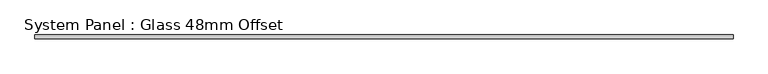
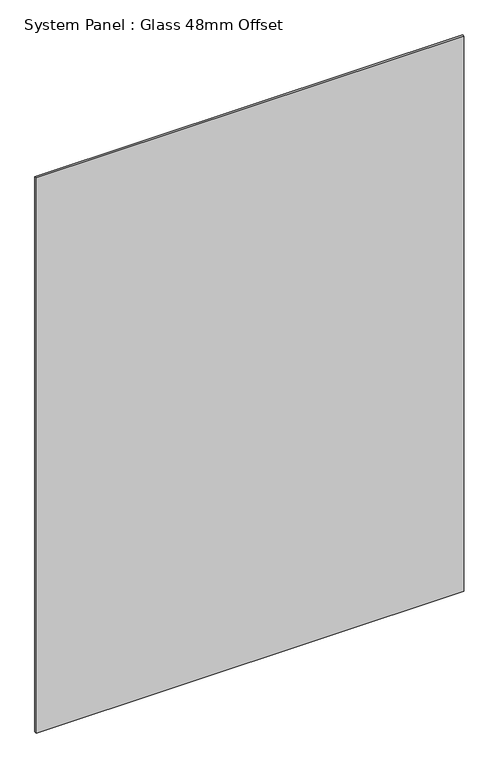
"""IFC4 building model written with IfcOpenShell, lengths in millimetres: plate geometry, System Panel : Glass 48mm Offset."""

from ifc_helpers import new_model, si_unit, origin, origin_with_axes, place, context, project, spatial, polyline, outline, extrude, source, transform, mapped, element, save


def system_panel_glass_48mm_offset_b570272a(model_context):
    return source(origin(), model_context, "Body", "SweptSolid", [
        extrude(outline(polyline([(927.0833615, -53.0), (-927.0833615, -53.0), (-927.0833615, -43.0), (927.0833615, -43.0), (927.0833615, -53.0)])), origin_with_axes(), (0.0, 0.0, 1.0), 2545.0),
    ])


if __name__ == "__main__":
    model = new_model("IFC4")
    model_context = context("Model", 3, world=origin())
    ifc_project = project(units=[si_unit("LENGTHUNIT", "METRE", prefix="MILLI")], contexts=[model_context])
    site = spatial("IfcSite", under=ifc_project)
    building = spatial("IfcBuilding", under=site)
    placement = place(None, origin())
    system_panel_glass_48mm_offset_shape = system_panel_glass_48mm_offset_b570272a(model_context)
    element("IfcPlate", 1, ObjectType="System Panel : Glass 48mm Offset", at=placement, inside=building, context=model_context, shape_type="MappedRepresentation", body=[
        mapped(system_panel_glass_48mm_offset_shape, transform((0.0, 0.0, 0.0), x_axis=(1.0, 0.0, 0.0), y_axis=(0.0, 1.0, 0.0), z_axis=(0.0, 0.0, 1.0))),
    ])
    save(model, "model.ifc")
